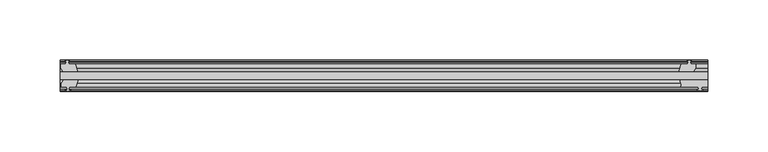
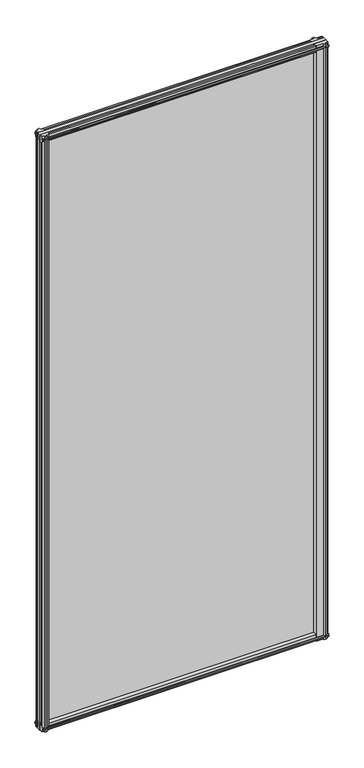
"""IFC4 building model written with IfcOpenShell, lengths in millimetres: plate geometry."""

from ifc_helpers import new_model, si_unit, point, frame, frame_2d, origin, place, context, project, spatial, polyline, circle_curve, trimmed, segment, composite_curve, outline, extrude, source, transform, mapped, element, save


def plate_b2a4f08c(model_context):
    return source(origin(), model_context, "Body", "SweptSolid", [
        extrude(outline(polyline([(-263.525, -19.5460937), (273.05, -19.5460937), (273.05, -25.8960937), (-263.525, -25.8960937), (-263.525, -19.5460937)])), frame((0.0, 0.0, -12.7), z_axis=(0.0, 0.0, 1.0), x_axis=(1.0, 0.0, 0.0)), (0.0, 0.0, 1.0), 1181.1),
        extrude(outline(composite_curve([segment(polyline([(273.0542854, -32.2460938), (267.9742854, -32.2460938), (267.6567854, -34.3506957), (268.8753913, -34.0241712), (269.0791854, -34.7847412), (266.7042854, -35.4210938), (264.3293854, -34.7847412), (264.5331795, -34.0241712), (265.7517854, -34.3506957), (265.4342854, -32.2460938), (250.825, -32.2460938)]), True, "CONTINUOUS"), segment(trimmed(circle_curve(frame_2d((241.943449, -30.5054843)), 9.0505066), [point((250.825, -32.2460938))], [point((249.7322351, -25.8960937))], True, "CARTESIAN"), True, "CONTINUOUS"), segment(polyline([(249.7322351, -25.8960937), (273.0542854, -25.8960937), (273.0542854, -32.2460938)]), True, "CONTINUOUS")], self_intersect=False)), frame((0.0, 0.0, -12.7), z_axis=(0.0, 0.0, 1.0), x_axis=(1.0, 0.0, 0.0)), (0.0, 0.0, 1.0), 1181.1),
        extrude(outline(polyline([(255.5181709, -10.4746158), (257.6957, -9.7670938), (259.873229, -10.4746158), (259.873229, -11.27583), (258.4577, -10.8158968), (258.8387, -13.1960938), (263.2837, -13.1960938), (263.2837, -16.1424938), (261.0710038, -19.5460937), (249.2404229, -19.5460937), (251.3457, -13.1960938), (256.5527, -13.1960938), (256.9337, -10.8158968), (255.5181709, -11.27583), (255.5181709, -10.4746158)])), frame((0.0, 0.0, -12.7), z_axis=(0.0, 0.0, 1.0), x_axis=(1.0, 0.0, 0.0)), (0.0, 0.0, 1.0), 1181.1),
        extrude(outline(polyline([(-248.7197229, -25.8960937), (-250.825, -32.2460937), (-256.032, -32.2460937), (-256.413, -34.6262907), (-254.9974709, -34.1663575), (-254.9974709, -34.9675717), (-257.175, -35.6750937), (-259.352529, -34.9675717), (-259.352529, -34.1663575), (-257.937, -34.6262907), (-258.318, -32.2460937), (-262.763, -32.2460937), (-262.763, -29.2996937), (-260.5503038, -25.8960937), (-248.7197229, -25.8960937)])), frame((0.0, 0.0, -12.7), z_axis=(0.0, 0.0, 1.0), x_axis=(1.0, 0.0, 0.0)), (0.0, 0.0, 1.0), 1181.1),
        extrude(outline(polyline([(-258.4577, -10.8158968), (-259.873229, -11.27583), (-259.873229, -10.4746158), (-257.6957, -9.7670937), (-255.5181709, -10.4746158), (-255.5181709, -11.27583), (-256.9337, -10.8158968), (-256.5527, -13.1960937), (-251.3457, -13.1960937), (-249.2404229, -19.5460937), (-261.0710038, -19.5460937), (-263.2837, -16.1424937), (-263.2837, -13.1960937), (-258.8387, -13.1960937), (-258.4577, -10.8158968)])), frame((0.0, 0.0, -12.7), z_axis=(0.0, 0.0, 1.0), x_axis=(1.0, 0.0, 0.0)), (0.0, 0.0, 1.0), 1181.1),
        extrude(outline(polyline([(-13.1960937, 1168.1587), (-13.1960937, 1163.7137), (-10.8158968, 1163.3327), (-11.27583, 1164.7482291), (-10.4746158, 1164.7482291), (-9.7670937, 1162.5707), (-10.4746158, 1160.393171), (-11.27583, 1160.393171), (-10.8158968, 1161.8087), (-13.1960937, 1161.4277), (-13.1960937, 1156.2207), (-19.5460937, 1154.115423), (-19.5460937, 1165.9460038), (-16.1424937, 1168.1587), (-13.1960937, 1168.1587)])), frame((-263.525, 0.0, 0.0), z_axis=(1.0, 0.0, 0.0), x_axis=(0.0, 1.0, 0.0)), (0.0, 0.0, 1.0), 536.575),
        extrude(outline(polyline([(-29.2996937, 1167.638), (-25.8960937, 1165.4253038), (-25.8960937, 1153.594723), (-32.2460937, 1155.7), (-32.2460937, 1160.907), (-34.6262907, 1161.288), (-34.1663575, 1159.872471), (-34.9675717, 1159.872471), (-35.6750937, 1162.05), (-34.9675717, 1164.2275291), (-34.1663575, 1164.2275291), (-34.6262907, 1162.812), (-32.2460937, 1163.193), (-32.2460937, 1167.638), (-29.2996937, 1167.638)])), frame((-263.525, 0.0, 0.0), z_axis=(1.0, 0.0, 0.0), x_axis=(0.0, 1.0, 0.0)), (0.0, 0.0, 1.0), 536.575),
        extrude(outline(polyline([(-25.8960937, 2.1052771), (-25.8960937, -9.7253038), (-29.2996937, -11.938), (-32.2460937, -11.938), (-32.2460937, -7.493), (-34.6262907, -7.112), (-34.1663575, -8.5275291), (-34.9675717, -8.5275291), (-35.6750937, -6.35), (-34.9675717, -4.1724709), (-34.1663575, -4.1724709), (-34.6262907, -5.588), (-32.2460937, -5.207), (-32.2460937, 0.0), (-25.8960937, 2.1052771)])), frame((-263.525, 0.0, 0.0), z_axis=(1.0, 0.0, 0.0), x_axis=(0.0, 1.0, 0.0)), (0.0, 0.0, 1.0), 536.575),
        extrude(outline(polyline([(-19.5460937, 1.5845771), (-13.1960937, -0.5207), (-13.1960937, -5.7277), (-10.8158968, -6.1087), (-11.27583, -4.6931709), (-10.4746158, -4.6931709), (-9.7670937, -6.8707), (-10.4746158, -9.048229), (-11.27583, -9.048229), (-10.8158968, -7.6327), (-13.1960937, -8.0137), (-13.1960937, -12.4587), (-16.1424937, -12.4587), (-19.5460937, -10.2460038), (-19.5460937, 1.5845771)])), frame((-263.525, 0.0, 0.0), z_axis=(1.0, 0.0, 0.0), x_axis=(0.0, 1.0, 0.0)), (0.0, 0.0, 1.0), 536.575),
    ])


if __name__ == "__main__":
    model = new_model("IFC4")
    model_context = context("Model", 3, world=origin())
    ifc_project = project(units=[si_unit("LENGTHUNIT", "METRE", prefix="MILLI")], contexts=[model_context])
    site = spatial("IfcSite", under=ifc_project)
    building = spatial("IfcBuilding", under=site)
    placement = place(None, origin())
    plate_shape = plate_b2a4f08c(model_context)
    element("IfcPlate", 1, at=placement, inside=building, context=model_context, shape_type="MappedRepresentation", body=[
        mapped(plate_shape, transform((0.0, 0.0, 0.0), x_axis=(1.0, 0.0, 0.0), y_axis=(0.0, 1.0, 0.0), z_axis=(0.0, 0.0, 1.0))),
    ])
    save(model, "model.ifc")
